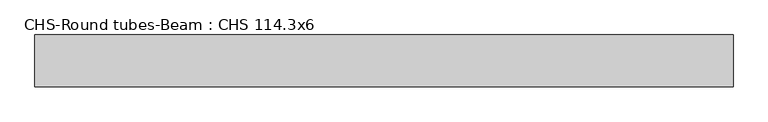
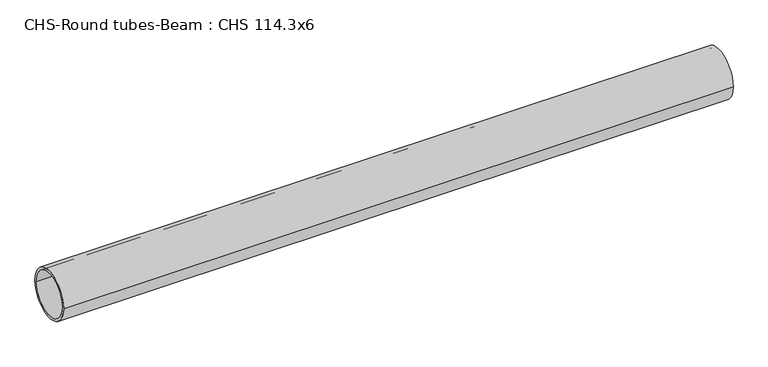
"""IFC4 building model written with IfcOpenShell, lengths in millimetres: beam geometry, CHS-Round tubes-Beam : CHS 114.3x6."""

from ifc_helpers import new_model, si_unit, point, frame, origin, origin_2d, place, context, project, spatial, circle_curve, trimmed, segment, composite_curve, outline, extrude, source, transform, mapped, element, save


def chs_round_tubes_beam_chs_114_3x6_ceebdfdd(model_context):
    return source(origin(), model_context, "Body", "SweptSolid", [
        extrude(outline(composite_curve([segment(trimmed(circle_curve(origin_2d(), 57.15), [point((57.15, 0.0))], [point((-57.15, 0.0))], False, "CARTESIAN"), True, "CONTINUOUS"), segment(trimmed(circle_curve(origin_2d(), 57.15), [point((-57.15, 0.0))], [point((57.15, 0.0))], False, "CARTESIAN"), True, "CONTINUOUS")], self_intersect=False), holes=[composite_curve([segment(trimmed(circle_curve(origin_2d(), 51.15), [point((51.15, 0.0))], [point((-51.15, 0.0))], True, "CARTESIAN"), True, "CONTINUOUS"), segment(trimmed(circle_curve(origin_2d(), 51.15), [point((-51.15, 0.0))], [point((51.15, 0.0))], True, "CARTESIAN"), True, "CONTINUOUS")], self_intersect=False)]), frame((-746.5108388, 0.0, 0.0), z_axis=(1.0, 0.0, 0.0), x_axis=(0.0, 1.0, 0.0)), (0.0, 0.0, 1.0), 1543.9428418),
    ])


if __name__ == "__main__":
    model = new_model("IFC4")
    model_context = context("Model", 3, world=origin())
    ifc_project = project(units=[si_unit("LENGTHUNIT", "METRE", prefix="MILLI")], contexts=[model_context])
    site = spatial("IfcSite", under=ifc_project)
    building = spatial("IfcBuilding", under=site)
    placement = place(None, origin())
    chs_round_tubes_beam_chs_114_3x6_shape = chs_round_tubes_beam_chs_114_3x6_ceebdfdd(model_context)
    element("IfcBeam", 1, ObjectType="CHS-Round tubes-Beam : CHS 114.3x6", at=placement, inside=building, context=model_context, shape_type="MappedRepresentation", body=[
        mapped(chs_round_tubes_beam_chs_114_3x6_shape, transform((0.0, 0.0, 0.0), x_axis=(1.0, 0.0, 0.0), y_axis=(0.0, 1.0, 0.0), z_axis=(0.0, 0.0, 1.0))),
    ])
    save(model, "model.ifc")
